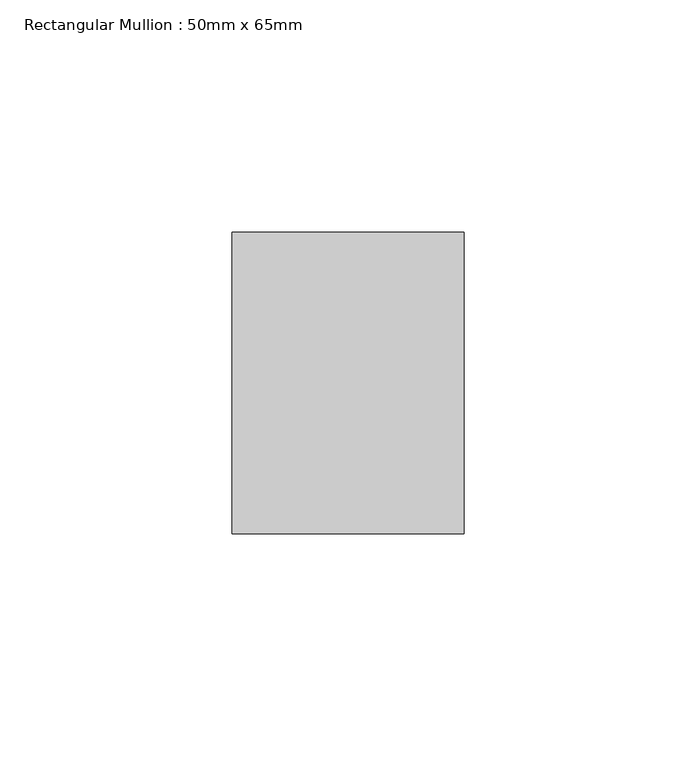
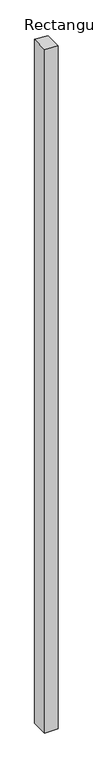
"""IFC4 building model written with IfcOpenShell, lengths in millimetres: member geometry, Rectangular Mullion : 50mm x 65mm."""

from ifc_helpers import new_model, si_unit, origin, place, context, project, spatial, faceted_brep, source, transform, mapped, element, save


def rectangular_mullion_50mm_x_65mm_50815609(model_context):
    return source(origin(), model_context, "Body", "Brep", [
        faceted_brep([(25.0, 32.5, -2713.6846508), (25.0, -32.5, -2713.6846508), (-25.0, -32.5, -2713.6846508), (-25.0, 32.5, -2713.6846508), (-25.0, 32.5, 2.0428961), (25.0, 32.5, -0.3856876), (-25.0, -32.5, 0.3856876), (25.0, -32.5, -2.0428961)], [[[0, 1, 2, 3]], [[4, 5, 0, 3]], [[6, 4, 3, 2]], [[7, 6, 2, 1]], [[5, 7, 1, 0]], [[5, 4, 6, 7]]]),
    ])


if __name__ == "__main__":
    model = new_model("IFC4")
    model_context = context("Model", 3, world=origin())
    ifc_project = project(units=[si_unit("LENGTHUNIT", "METRE", prefix="MILLI")], contexts=[model_context])
    site = spatial("IfcSite", under=ifc_project)
    building = spatial("IfcBuilding", under=site)
    placement = place(None, origin())
    rectangular_mullion_50mm_x_65mm_shape = rectangular_mullion_50mm_x_65mm_50815609(model_context)
    element("IfcMember", 1, ObjectType="Rectangular Mullion : 50mm x 65mm", at=placement, inside=building, context=model_context, shape_type="MappedRepresentation", body=[
        mapped(rectangular_mullion_50mm_x_65mm_shape, transform((0.0, 0.0, 0.0), x_axis=(1.0, 0.0, 0.0), y_axis=(0.0, 1.0, 0.0), z_axis=(0.0, 0.0, 1.0))),
    ])
    save(model, "model.ifc")
